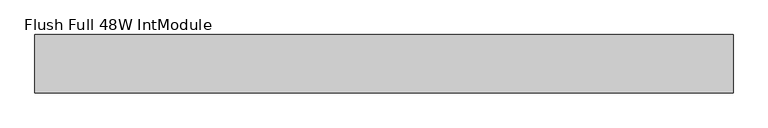
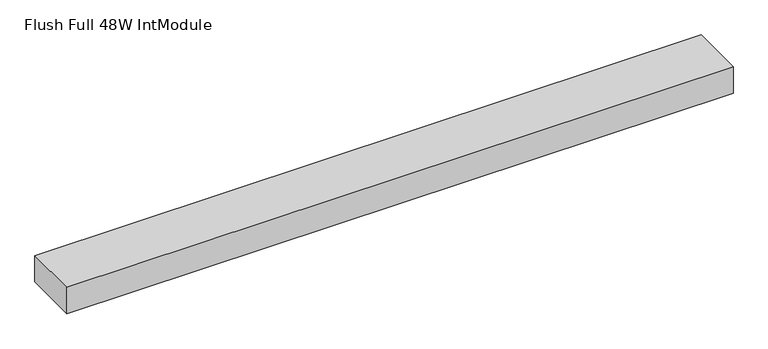
"""IFC4 building model written with IfcOpenShell, lengths in millimetres: furniture geometry, Flush Full 48W IntModule."""

from ifc_helpers import new_model, si_unit, frame, origin, place, context, project, spatial, polyline, outline, extrude, source, transform, mapped, element, save


def flush_full_48w_intmodule_42b8d0e9(model_context):
    return source(origin(), model_context, "Body", "SweptSolid", [
        extrude(outline(polyline([(50.8, -101.6), (50.8, 0.0), (1270.0, 0.0), (1270.0, -101.6), (50.8, -101.6)])), frame((0.0, 0.0, 2235.2), z_axis=(0.0, 0.0, 1.0), x_axis=(1.0, 0.0, 0.0)), (0.0, 0.0, 1.0), 50.8),
    ])


if __name__ == "__main__":
    model = new_model("IFC4")
    model_context = context("Model", 3, world=origin())
    ifc_project = project(units=[si_unit("LENGTHUNIT", "METRE", prefix="MILLI")], contexts=[model_context])
    site = spatial("IfcSite", under=ifc_project)
    building = spatial("IfcBuilding", under=site)
    placement = place(None, origin())
    flush_full_48w_intmodule_shape = flush_full_48w_intmodule_42b8d0e9(model_context)
    element("IfcFurniture", 1, ObjectType="Flush Full 48W IntModule", at=placement, inside=building, context=model_context, shape_type="MappedRepresentation", body=[
        mapped(flush_full_48w_intmodule_shape, transform((0.0, 0.0, 0.0), x_axis=(1.0, 0.0, 0.0), y_axis=(0.0, 1.0, 0.0), z_axis=(0.0, 0.0, 1.0))),
    ])
    save(model, "model.ifc")
